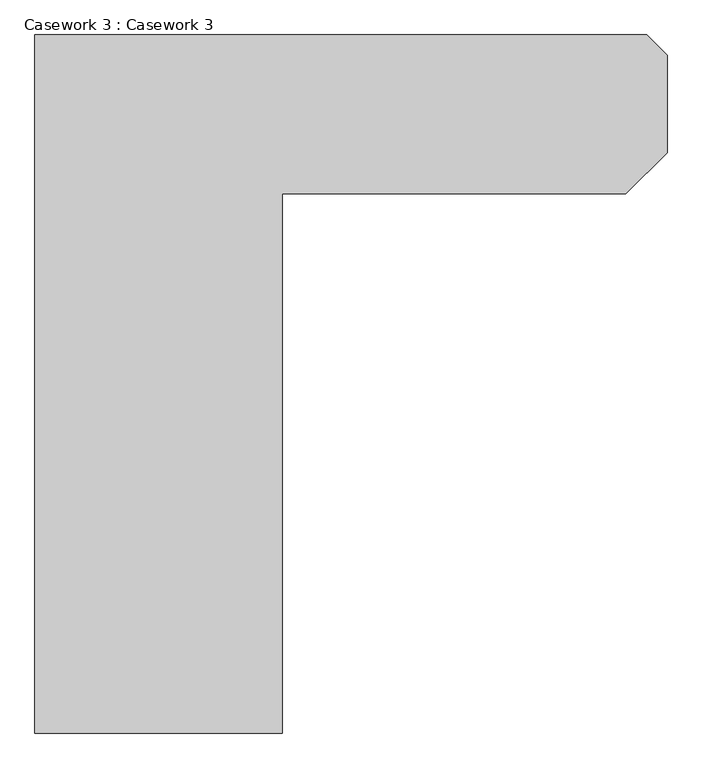
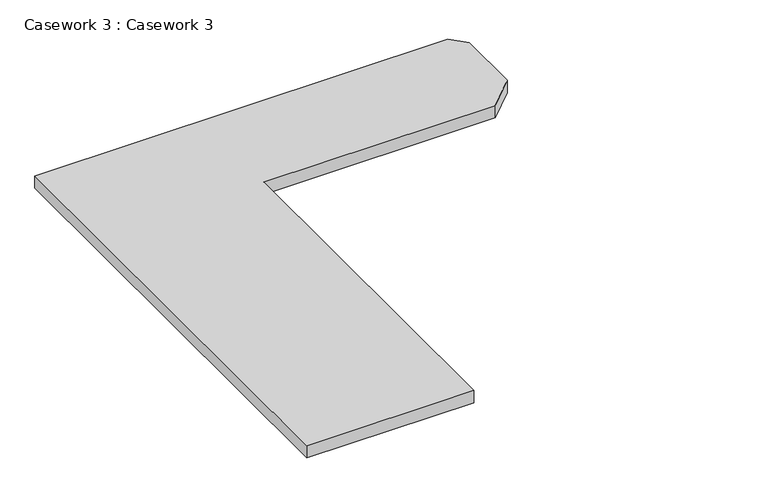
"""IFC4 building model written with IfcOpenShell, lengths in millimetres: furniture geometry, Casework 3 : Casework 3."""

from ifc_helpers import new_model, si_unit, frame, origin, place, context, project, spatial, polyline, outline, extrude, source, transform, mapped, element, save


def casework_3_casework_3_8b0c2432(model_context):
    return source(origin(), model_context, "Body", "SweptSolid", [
        extrude(outline(polyline([(1002.5620689, 2597.9416356), (2635.6015566, 2597.9416356), (2689.6152704, 2543.9279219), (2689.6152704, 2283.5779219), (2579.4555859, 2173.4182375), (1662.9620689, 2173.4182375), (1662.9620689, 734.6905011), (1002.5620689, 734.6905011), (1002.5620689, 2597.9416356)])), frame((0.0, 0.0, 1473.2), z_axis=(0.0, 0.0, 1.0), x_axis=(1.0, 0.0, 0.0)), (0.0, 0.0, 1.0), 50.8),
    ])


if __name__ == "__main__":
    model = new_model("IFC4")
    model_context = context("Model", 3, world=origin())
    ifc_project = project(units=[si_unit("LENGTHUNIT", "METRE", prefix="MILLI")], contexts=[model_context])
    site = spatial("IfcSite", under=ifc_project)
    building = spatial("IfcBuilding", under=site)
    placement = place(None, origin())
    casework_3_casework_3_shape = casework_3_casework_3_8b0c2432(model_context)
    element("IfcFurniture", 1, ObjectType="Casework 3 : Casework 3", at=placement, inside=building, context=model_context, shape_type="MappedRepresentation", body=[
        mapped(casework_3_casework_3_shape, transform((0.0, 0.0, 0.0), x_axis=(1.0, 0.0, 0.0), y_axis=(0.0, 1.0, 0.0), z_axis=(0.0, 0.0, 1.0))),
    ])
    save(model, "model.ifc")
